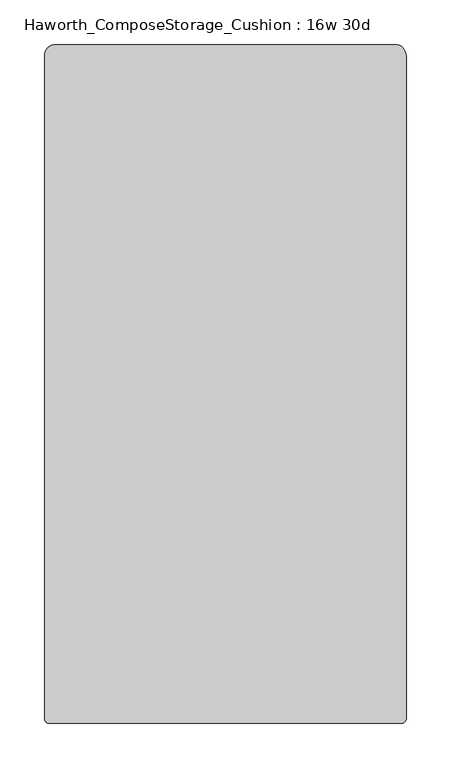
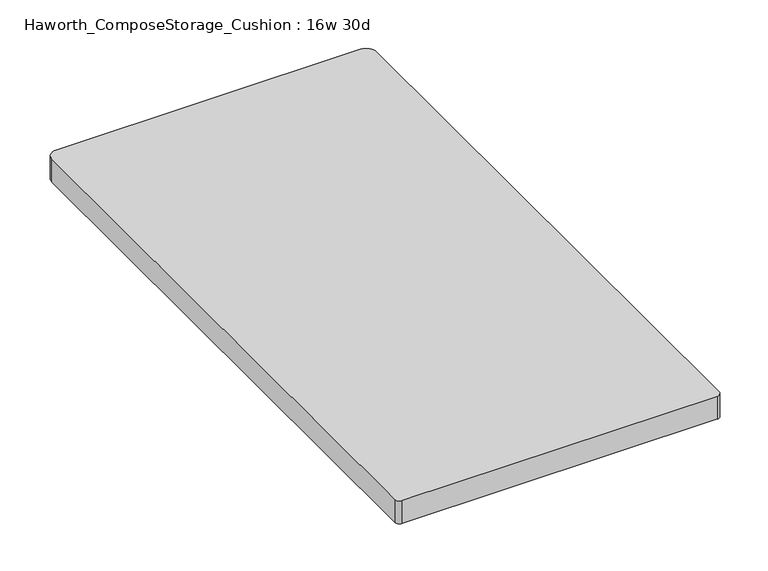
"""IFC4 building model written with IfcOpenShell, lengths in millimetres: furniture geometry, Haworth_ComposeStorage_Cushion : 16w 30d."""

from ifc_helpers import new_model, si_unit, point, frame, frame_2d, origin, place, context, project, spatial, polyline, circle_curve, trimmed, segment, composite_curve, outline, extrude, source, transform, mapped, element, save


def haworth_composestorage_cushion_16w_30d_a30363ab(model_context):
    return source(origin(), model_context, "Body", "SweptSolid", [
        extrude(outline(composite_curve([segment(trimmed(circle_curve(frame_2d((190.5, 368.3)), 12.7), [point((190.5, 381.0))], [point((203.2, 368.3))], False, "CARTESIAN"), True, "CONTINUOUS"), segment(polyline([(203.2, 368.3), (203.2, -375.0870224)]), True, "CONTINUOUS"), segment(trimmed(circle_curve(frame_2d((197.2870224, -375.0870224)), 5.9129776), [point((203.2, -375.0870224))], [point((197.2870224, -381.0))], False, "CARTESIAN"), True, "CONTINUOUS"), segment(polyline([(197.2870224, -381.0), (-197.2870224, -381.0)]), True, "CONTINUOUS"), segment(trimmed(circle_curve(frame_2d((-197.2870224, -375.0870224)), 5.9129776), [point((-197.2870224, -381.0))], [point((-203.2, -375.0870224))], False, "CARTESIAN"), True, "CONTINUOUS"), segment(polyline([(-203.2, -375.0870224), (-203.2, 368.3)]), True, "CONTINUOUS"), segment(trimmed(circle_curve(frame_2d((-190.5, 368.3)), 12.7), [point((-203.2, 368.3))], [point((-190.5, 381.0))], False, "CARTESIAN"), True, "CONTINUOUS"), segment(polyline([(-190.5, 381.0), (190.5, 381.0)]), True, "CONTINUOUS")], self_intersect=False)), frame((0.0, 0.0, 609.6), z_axis=(0.0, 0.0, 1.0), x_axis=(1.0, 0.0, 0.0)), (0.0, 0.0, 1.0), 30.1625),
    ])


if __name__ == "__main__":
    model = new_model("IFC4")
    model_context = context("Model", 3, world=origin())
    ifc_project = project(units=[si_unit("LENGTHUNIT", "METRE", prefix="MILLI")], contexts=[model_context])
    site = spatial("IfcSite", under=ifc_project)
    building = spatial("IfcBuilding", under=site)
    placement = place(None, origin())
    haworth_composestorage_cushion_16w_30d_shape = haworth_composestorage_cushion_16w_30d_a30363ab(model_context)
    element("IfcFurniture", 1, ObjectType="Haworth_ComposeStorage_Cushion : 16w 30d", at=placement, inside=building, context=model_context, shape_type="MappedRepresentation", body=[
        mapped(haworth_composestorage_cushion_16w_30d_shape, transform((0.0, 0.0, 0.0), x_axis=(1.0, 0.0, 0.0), y_axis=(0.0, 1.0, 0.0), z_axis=(0.0, 0.0, 1.0))),
    ])
    save(model, "model.ifc")
